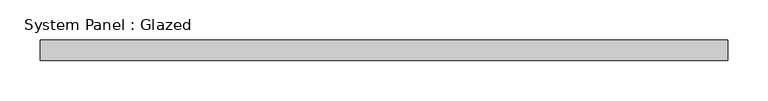
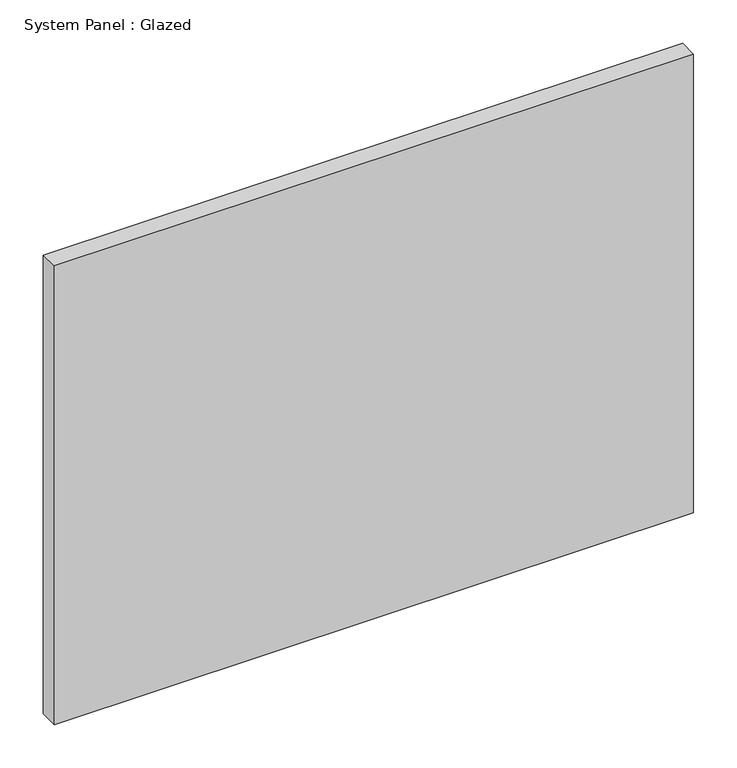
"""IFC4 building model written with IfcOpenShell, lengths in millimetres: plate geometry, System Panel : Glazed."""

import ifcopenshell
import ifcopenshell.guid

model = None  # the IFC model being written
_history = None  # IfcOwnerHistory: only IFC2X3 demands one
_inside = {}  # id of a spatial element -> (the spatial element, [elements in it])
_under = {}  # id of a project, library or spatial element -> (it, [spatial elements below it])
_declared = {}  # id of a project -> (the project, [libraries it declares])
_typed = {}  # id of a type object -> (the type object, [elements of that type])
_made_of = {}  # id of a material, layer set ... -> (it, [elements and type objects made of it])


def new_model(schema):
    """Start an empty IFC model of exactly this schema.

    Asked for "IFC4X3", IfcOpenShell would pick the latest addendum, in which some entities
    have other attributes; the version numbers below select the first issue.
    IFC2X3 requires an IfcOwnerHistory on every rooted entity: one is made here for all.
    """
    global model, _history
    if schema == "IFC4X3":
        model = ifcopenshell.file(schema_version=(4, 3, 0, 0))
    else:
        model = ifcopenshell.file(schema=schema)
    _inside.clear()
    _under.clear()
    _declared.clear()
    _typed.clear()
    _made_of.clear()
    _history = None
    if model.schema == "IFC2X3":
        org = make("IfcOrganization", Name="unknown")
        user = make(
            "IfcPersonAndOrganization",
            ThePerson=make("IfcPerson", FamilyName="unknown"),
            TheOrganization=org,
        )
        app = make(
            "IfcApplication",
            ApplicationDeveloper=org,
            Version="unknown",
            ApplicationFullName="unknown",
            ApplicationIdentifier="unknown",
        )
        _history = make(
            "IfcOwnerHistory",
            OwningUser=user,
            OwningApplication=app,
            ChangeAction="ADDED",
            CreationDate=0,
        )
    return model


def make(cls, **values):
    """One entity of the class cls with the attributes given. An attribute that is None is left unset."""
    return model.create_entity(
        cls, **{name: value for name, value in values.items() if value is not None}
    )


def rooted(cls, **values):
    """An entity with a GlobalId (a new one), such as an element, a storey or a relation."""
    return make(cls, GlobalId=ifcopenshell.guid.new(), OwnerHistory=_history, **values)


def si_unit(unit_type, name, prefix=None):
    """IfcSIUnit, for example si_unit("LENGTHUNIT", "METRE", prefix="MILLI")."""
    return make("IfcSIUnit", UnitType=unit_type, Prefix=prefix, Name=name)


def assignment(units):
    """IfcUnitAssignment: the units of a project."""
    return None if units is None else make("IfcUnitAssignment", Units=units)


def point(xyz):
    """IfcCartesianPoint."""
    return None if xyz is None else make("IfcCartesianPoint", Coordinates=xyz)


def direction(xyz):
    """IfcDirection."""
    return None if xyz is None else make("IfcDirection", DirectionRatios=xyz)


def frame(location, z_axis=None, x_axis=None):
    """IfcAxis2Placement3D, a coordinate frame: its origin and axes. An axis left out is left unset."""
    return make(
        "IfcAxis2Placement3D",
        Location=point(location),
        Axis=direction(z_axis),
        RefDirection=direction(x_axis),
    )


def origin():
    """The frame at (0, 0, 0) with its axes left unset."""
    return frame((0.0, 0.0, 0.0))


def origin_with_axes():
    """The frame at (0, 0, 0) with the z axis (0, 0, 1) and the x axis (1, 0, 0) written out."""
    return frame((0.0, 0.0, 0.0), z_axis=(0.0, 0.0, 1.0), x_axis=(1.0, 0.0, 0.0))


def place(relative_to, where):
    """IfcLocalPlacement: puts the frame where relative to a parent placement (None: the world)."""
    return make(
        "IfcLocalPlacement", PlacementRelTo=relative_to, RelativePlacement=where
    )


def context(
    kind, dimensions, precision=None, world=None, true_north=None, identifier=None
):
    """IfcGeometricRepresentationContext, for example the 3D "Model" context."""
    return make(
        "IfcGeometricRepresentationContext",
        ContextIdentifier=identifier,
        ContextType=kind,
        CoordinateSpaceDimension=dimensions,
        Precision=precision,
        WorldCoordinateSystem=world,
        TrueNorth=true_north,
    )


def project(units=None, contexts=None):
    """IfcProject with its units and contexts."""
    return rooted(
        "IfcProject",
        Name="project",
        RepresentationContexts=contexts,
        UnitsInContext=assignment(units),
    )


def spatial(cls, under=None, at=None, **own):
    """A site, building, storey or space (cls), placed at a placement, below another one or the project."""
    s = rooted(cls, ObjectPlacement=at, **own)
    if under is not None:
        _under.setdefault(under.id(), (under, []))[1].append(s)
    return s


def polyline(points):
    """IfcPolyline through the points."""
    return make("IfcPolyline", Points=[point(p) for p in points])


def outline(outer, holes=None, kind="AREA"):
    """IfcArbitraryClosedProfileDef: a profile drawn as a closed curve; with holes, ...WithVoids."""
    if holes is None:
        return make("IfcArbitraryClosedProfileDef", ProfileType=kind, OuterCurve=outer)
    return make(
        "IfcArbitraryProfileDefWithVoids",
        ProfileType=kind,
        OuterCurve=outer,
        InnerCurves=holes,
    )


def extrude(swept, where, along, depth):
    """IfcExtrudedAreaSolid: the profile swept, set in the frame where, extruded along a direction by depth."""
    return make(
        "IfcExtrudedAreaSolid",
        SweptArea=swept,
        Position=where,
        ExtrudedDirection=direction(along),
        Depth=depth,
    )


def shape(context_of_items, identifier, shape_type, items):
    """IfcShapeRepresentation: the items that make up one representation, for example the "Body"."""
    return make(
        "IfcShapeRepresentation",
        ContextOfItems=context_of_items,
        RepresentationIdentifier=identifier,
        RepresentationType=shape_type,
        Items=items,
    )


def source(mapping_origin, context_of_items, identifier, shape_type, items):
    """IfcRepresentationMap: a shape defined once, which mapped items show again and again."""
    return make(
        "IfcRepresentationMap",
        MappingOrigin=mapping_origin,
        MappedRepresentation=shape(context_of_items, identifier, shape_type, items),
    )


def transform(
    local_origin,
    x_axis=None,
    y_axis=None,
    z_axis=None,
    scale=None,
    scale2=None,
    scale3=None,
    uniform=True,
):
    """IfcCartesianTransformationOperator3D, or its non-uniform kind. x_axis, y_axis, z_axis: its Axis1, 2, 3."""
    if uniform:
        return make(
            "IfcCartesianTransformationOperator3D",
            Axis1=direction(x_axis),
            Axis2=direction(y_axis),
            LocalOrigin=point(local_origin),
            Scale=scale,
            Axis3=direction(z_axis),
        )
    return make(
        "IfcCartesianTransformationOperator3DnonUniform",
        Axis1=direction(x_axis),
        Axis2=direction(y_axis),
        LocalOrigin=point(local_origin),
        Scale=scale,
        Axis3=direction(z_axis),
        Scale2=scale2,
        Scale3=scale3,
    )


def mapped(mapping_source, mapping_target):
    """IfcMappedItem: shows the shape of a source again, moved by a transform."""
    return make(
        "IfcMappedItem", MappingSource=mapping_source, MappingTarget=mapping_target
    )


def made_of(thing, what):
    """Note that an element or type object is made of a material, layer set ...; save() writes the relation."""
    if what is not None:
        _made_of.setdefault(what.id(), (what, []))[1].append(thing)
    return thing


def element(
    cls,
    number,
    at=None,
    inside=None,
    cuts=None,
    type_object=None,
    material=None,
    context=None,
    identifier="Body",
    shape_type=None,
    held_by="IfcProductDefinitionShape",
    body=None,
    shapes=None,
    **own,
):
    """One element of the class cls, such as IfcWall. Its Tag is "e" and its number.

    at: its placement. inside: the storey or other place that contains it. cuts: it is an
    opening in that element (IfcRelVoidsElement). A single representation is given by context,
    identifier, shape_type and body (its items); several are given by shapes. held_by: the class
    of the entity that holds the representations. save() writes the other relations.
    """
    e = rooted(cls, Tag="e%d" % number, ObjectPlacement=at, **own)
    if body is not None:
        shapes = [shape(context, identifier, shape_type, body)]
    if shapes is not None:
        e.Representation = make(held_by, Representations=shapes)
    if inside is not None:
        _inside.setdefault(inside.id(), (inside, []))[1].append(e)
    if cuts is not None:
        rooted(
            "IfcRelVoidsElement", RelatingBuildingElement=cuts, RelatedOpeningElement=e
        )
    if type_object is not None:
        _typed.setdefault(type_object.id(), (type_object, []))[1].append(e)
    return made_of(e, material)


def aggregate(whole, parts):
    """IfcRelAggregates: a whole, such as a stair, and the parts it consists of."""
    return rooted("IfcRelAggregates", RelatingObject=whole, RelatedObjects=parts)


def save(model, path):
    """Write the relations noted so far, then the file.

    IfcRelAggregates (storeys below a building ...), IfcRelContainedInSpatialStructure (elements
    in a storey), IfcRelDefinesByType, IfcRelAssociatesMaterial and IfcRelDeclares: one each for
    every whole, place, type object, material and project.
    """
    for whole, parts in _under.values():
        aggregate(whole, parts)
    for where, things in _inside.values():
        rooted(
            "IfcRelContainedInSpatialStructure",
            RelatedElements=things,
            RelatingStructure=where,
        )
    for kind, things in _typed.values():
        rooted("IfcRelDefinesByType", RelatedObjects=things, RelatingType=kind)
    for what, things in _made_of.values():
        rooted("IfcRelAssociatesMaterial", RelatedObjects=things, RelatingMaterial=what)
    for by, libraries in _declared.values():
        rooted("IfcRelDeclares", RelatingContext=by, RelatedDefinitions=libraries)
    model.write(path)


def system_panel_glazed_ce316d74(model_context):
    return source(origin(), model_context, "Body", "SweptSolid", [
        extrude(outline(polyline([(425.0, 24.5), (-425.0, 24.5), (-425.0, 49.5), (425.0, 49.5), (425.0, 24.5)])), origin_with_axes(), (0.0, 0.0, 1.0), 645.0),
    ])


if __name__ == "__main__":
    model = new_model("IFC4")
    model_context = context("Model", 3, world=origin())
    ifc_project = project(units=[si_unit("LENGTHUNIT", "METRE", prefix="MILLI")], contexts=[model_context])
    site = spatial("IfcSite", under=ifc_project)
    building = spatial("IfcBuilding", under=site)
    placement = place(None, origin())
    system_panel_glazed_shape = system_panel_glazed_ce316d74(model_context)
    element("IfcPlate", 1, ObjectType="System Panel : Glazed", at=placement, inside=building, context=model_context, shape_type="MappedRepresentation", body=[
        mapped(system_panel_glazed_shape, transform((0.0, 0.0, 0.0), x_axis=(1.0, 0.0, 0.0), y_axis=(0.0, 1.0, 0.0), z_axis=(0.0, 0.0, 1.0))),
    ])
    save(model, "model.ifc")
